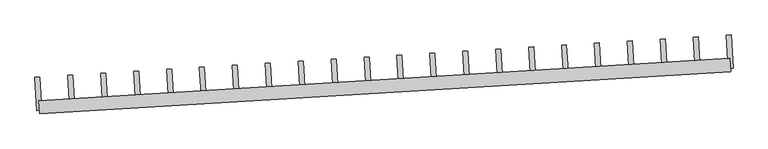
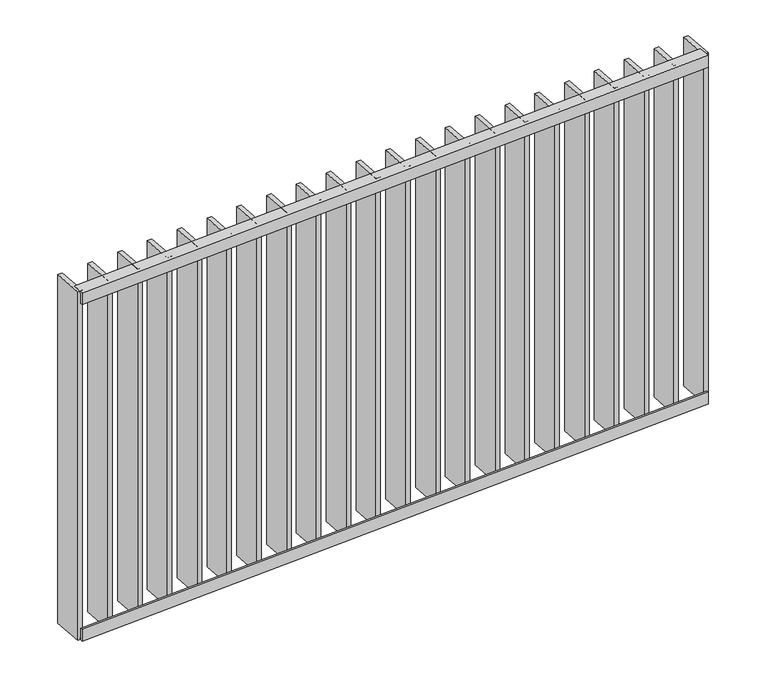
"""IFC4 building model written with IfcOpenShell, lengths in millimetres: railing geometry."""

from ifc_helpers import new_model, si_unit, frame, origin, place, context, project, spatial, polyline, outline, extrude, source, transform, mapped, element, save


def railing_084bfd7b(model_context):
    return source(origin(), model_context, "Body", "SweptSolid", [
        extrude(outline(polyline([(13.9999999, 6.0), (13.9999999, 40.0), (19.9999999, 40.0), (19.9999999, 0.0), (-20.0, 0.0), (-20.0, 6.0), (13.9999999, 6.0)])), frame((27791.8302158, 22922.0850343, 8000.0), z_axis=(0.9981347984215649, 0.06104853953979657, 0.0), x_axis=(0.06104853953979657, -0.9981347984215649, 0.0)), (0.0, 0.0, 1.0), 2080.0),
        extrude(outline(polyline([(13.9999999, -6.0), (-20.0, -6.0), (-20.0, 0.0), (19.9999999, 0.0), (19.9999999, -40.0), (13.9999999, -40.0), (13.9999999, -6.0)])), frame((27791.8302158, 22922.0850343, 6820.0), z_axis=(0.9981347984215649, 0.06104853953979657, 0.0), x_axis=(0.06104853953979657, -0.9981347984215649, 0.0)), (0.0, 0.0, 1.0), 2080.0),
        extrude(outline(polyline([(27898.7895875, 22918.6082629), (27883.8175655, 22917.6925348), (27877.7127116, 23017.5060146), (27892.6847336, 23018.4217427), (27898.7895875, 22918.6082629)])), frame((0.0, 0.0, 6819.9), z_axis=(0.0, 0.0, 1.0), x_axis=(1.0, 0.0, 0.0)), (0.0, 0.0, 1.0), 1180.2),
        extrude(outline(polyline([(27997.6524628, 22924.6549754), (27982.6804408, 22923.7392473), (27976.5755868, 23023.5527271), (27991.5476088, 23024.4684552), (27997.6524628, 22924.6549754)])), frame((0.0, 0.0, 6819.9), z_axis=(0.0, 0.0, 1.0), x_axis=(1.0, 0.0, 0.0)), (0.0, 0.0, 1.0), 1180.2),
        extrude(outline(polyline([(28096.515338, 22930.7016879), (28081.5433161, 22929.7859598), (28075.4384621, 23029.5994396), (28090.4104841, 23030.5151677), (28096.515338, 22930.7016879)])), frame((0.0, 0.0, 6819.9), z_axis=(0.0, 0.0, 1.0), x_axis=(1.0, 0.0, 0.0)), (0.0, 0.0, 1.0), 1180.2),
        extrude(outline(polyline([(28195.3782133, 22936.7484004), (28180.4061913, 22935.8326723), (28174.3013374, 23035.6461521), (28189.2733594, 23036.5618802), (28195.3782133, 22936.7484004)])), frame((0.0, 0.0, 6819.9), z_axis=(0.0, 0.0, 1.0), x_axis=(1.0, 0.0, 0.0)), (0.0, 0.0, 1.0), 1180.2),
        extrude(outline(polyline([(28294.2410886, 22942.7951129), (28279.2690666, 22941.8793848), (28273.1642127, 23041.6928646), (28288.1362346, 23042.6085927), (28294.2410886, 22942.7951129)])), frame((0.0, 0.0, 6819.9), z_axis=(0.0, 0.0, 1.0), x_axis=(1.0, 0.0, 0.0)), (0.0, 0.0, 1.0), 1180.2),
        extrude(outline(polyline([(28393.1039639, 22948.8418253), (28378.1319419, 22947.9260972), (28372.0270879, 23047.7395771), (28386.9991099, 23048.6553052), (28393.1039639, 22948.8418253)])), frame((0.0, 0.0, 6819.9), z_axis=(0.0, 0.0, 1.0), x_axis=(1.0, 0.0, 0.0)), (0.0, 0.0, 1.0), 1180.2),
        extrude(outline(polyline([(28491.9668391, 22954.8885378), (28476.9948172, 22953.9728097), (28470.8899632, 23053.7862896), (28485.8619852, 23054.7020177), (28491.9668391, 22954.8885378)])), frame((0.0, 0.0, 6819.9), z_axis=(0.0, 0.0, 1.0), x_axis=(1.0, 0.0, 0.0)), (0.0, 0.0, 1.0), 1180.2),
        extrude(outline(polyline([(28590.8297144, 22960.9352503), (28575.8576924, 22960.0195222), (28569.7528385, 23059.8330021), (28584.7248605, 23060.7487302), (28590.8297144, 22960.9352503)])), frame((0.0, 0.0, 6819.9), z_axis=(0.0, 0.0, 1.0), x_axis=(1.0, 0.0, 0.0)), (0.0, 0.0, 1.0), 1180.2),
        extrude(outline(polyline([(28689.6925897, 22966.9819628), (28674.7205677, 22966.0662347), (28668.6157138, 23065.8797146), (28683.5877357, 23066.7954426), (28689.6925897, 22966.9819628)])), frame((0.0, 0.0, 6819.9), z_axis=(0.0, 0.0, 1.0), x_axis=(1.0, 0.0, 0.0)), (0.0, 0.0, 1.0), 1180.2),
        extrude(outline(polyline([(28788.555465, 22973.0286753), (28773.583443, 22972.1129472), (28767.478589, 23071.926427), (28782.450611, 23072.8421551), (28788.555465, 22973.0286753)])), frame((0.0, 0.0, 6819.9), z_axis=(0.0, 0.0, 1.0), x_axis=(1.0, 0.0, 0.0)), (0.0, 0.0, 1.0), 1180.2),
        extrude(outline(polyline([(28887.4183402, 22979.0753878), (28872.4463183, 22978.1596597), (28866.3414643, 23077.9731395), (28881.3134863, 23078.8888676), (28887.4183402, 22979.0753878)])), frame((0.0, 0.0, 6819.9), z_axis=(0.0, 0.0, 1.0), x_axis=(1.0, 0.0, 0.0)), (0.0, 0.0, 1.0), 1180.2),
        extrude(outline(polyline([(28986.2812155, 22985.1221003), (28971.3091935, 22984.2063722), (28965.2043396, 23084.019852), (28980.1763615, 23084.9355801), (28986.2812155, 22985.1221003)])), frame((0.0, 0.0, 6819.9), z_axis=(0.0, 0.0, 1.0), x_axis=(1.0, 0.0, 0.0)), (0.0, 0.0, 1.0), 1180.2),
        extrude(outline(polyline([(29085.1440908, 22991.1688128), (29070.1720688, 22990.2530847), (29064.0672148, 23090.0665645), (29079.0392368, 23090.9822926), (29085.1440908, 22991.1688128)])), frame((0.0, 0.0, 6819.9), z_axis=(0.0, 0.0, 1.0), x_axis=(1.0, 0.0, 0.0)), (0.0, 0.0, 1.0), 1180.2),
        extrude(outline(polyline([(29184.006966, 22997.2155252), (29169.0349441, 22996.2997971), (29162.9300901, 23096.113277), (29177.9021121, 23097.0290051), (29184.006966, 22997.2155252)])), frame((0.0, 0.0, 6819.9), z_axis=(0.0, 0.0, 1.0), x_axis=(1.0, 0.0, 0.0)), (0.0, 0.0, 1.0), 1180.2),
        extrude(outline(polyline([(29282.8698413, 23003.2622377), (29267.8978193, 23002.3465096), (29261.7929654, 23102.1599895), (29276.7649874, 23103.0757176), (29282.8698413, 23003.2622377)])), frame((0.0, 0.0, 6819.9), z_axis=(0.0, 0.0, 1.0), x_axis=(1.0, 0.0, 0.0)), (0.0, 0.0, 1.0), 1180.2),
        extrude(outline(polyline([(29381.7327166, 23009.3089502), (29366.7606946, 23008.3932221), (29360.6558407, 23108.206702), (29375.6278626, 23109.1224301), (29381.7327166, 23009.3089502)])), frame((0.0, 0.0, 6819.9), z_axis=(0.0, 0.0, 1.0), x_axis=(1.0, 0.0, 0.0)), (0.0, 0.0, 1.0), 1180.2),
        extrude(outline(polyline([(29480.5955919, 23015.3556627), (29465.6235699, 23014.4399346), (29459.5187159, 23114.2534145), (29474.4907379, 23115.1691425), (29480.5955919, 23015.3556627)])), frame((0.0, 0.0, 6819.9), z_axis=(0.0, 0.0, 1.0), x_axis=(1.0, 0.0, 0.0)), (0.0, 0.0, 1.0), 1180.2),
        extrude(outline(polyline([(29579.4584671, 23021.4023752), (29564.4864452, 23020.4866471), (29558.3815912, 23120.3001269), (29573.3536132, 23121.215855), (29579.4584671, 23021.4023752)])), frame((0.0, 0.0, 6819.9), z_axis=(0.0, 0.0, 1.0), x_axis=(1.0, 0.0, 0.0)), (0.0, 0.0, 1.0), 1180.2),
        extrude(outline(polyline([(29678.3213424, 23027.4490877), (29663.3493204, 23026.5333596), (29657.2444665, 23126.3468394), (29672.2164885, 23127.2625675), (29678.3213424, 23027.4490877)])), frame((0.0, 0.0, 6819.9), z_axis=(0.0, 0.0, 1.0), x_axis=(1.0, 0.0, 0.0)), (0.0, 0.0, 1.0), 1180.2),
        extrude(outline(polyline([(29777.1842177, 23033.4958002), (29762.2121957, 23032.5800721), (29756.1073417, 23132.3935519), (29771.0793637, 23133.30928), (29777.1842177, 23033.4958002)])), frame((0.0, 0.0, 6819.9), z_axis=(0.0, 0.0, 1.0), x_axis=(1.0, 0.0, 0.0)), (0.0, 0.0, 1.0), 1180.2),
        extrude(outline(polyline([(27799.9267122, 22912.5615504), (27784.9546903, 22911.6458223), (27778.8498363, 23011.4593022), (27793.8218583, 23012.3750303), (27799.9267122, 22912.5615504)])), frame((0.0, 0.0, 6819.9), z_axis=(0.0, 0.0, 1.0), x_axis=(1.0, 0.0, 0.0)), (0.0, 0.0, 1.0), 1180.2),
        extrude(outline(polyline([(29876.0470929, 23039.5425127), (29861.075071, 23038.6267846), (29854.970217, 23138.4402644), (29869.942239, 23139.3559925), (29876.0470929, 23039.5425127)])), frame((0.0, 0.0, 6819.9), z_axis=(0.0, 0.0, 1.0), x_axis=(1.0, 0.0, 0.0)), (0.0, 0.0, 1.0), 1180.2),
    ])


if __name__ == "__main__":
    model = new_model("IFC4")
    model_context = context("Model", 3, world=origin())
    ifc_project = project(units=[si_unit("LENGTHUNIT", "METRE", prefix="MILLI")], contexts=[model_context])
    site = spatial("IfcSite", under=ifc_project)
    building = spatial("IfcBuilding", under=site)
    placement = place(None, origin())
    railing_shape = railing_084bfd7b(model_context)
    element("IfcRailing", 1, at=placement, inside=building, context=model_context, shape_type="MappedRepresentation", body=[
        mapped(railing_shape, transform((0.0, 0.0, 0.0), x_axis=(1.0, 0.0, 0.0), y_axis=(0.0, 1.0, 0.0), z_axis=(0.0, 0.0, 1.0))),
    ])
    save(model, "model.ifc")
